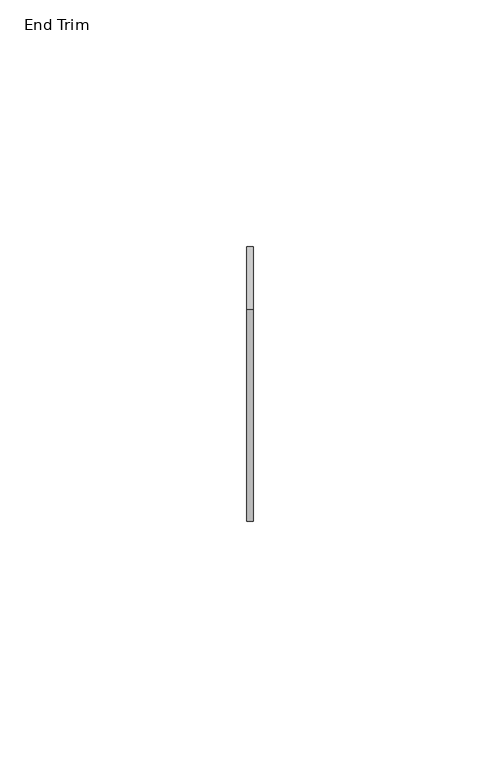
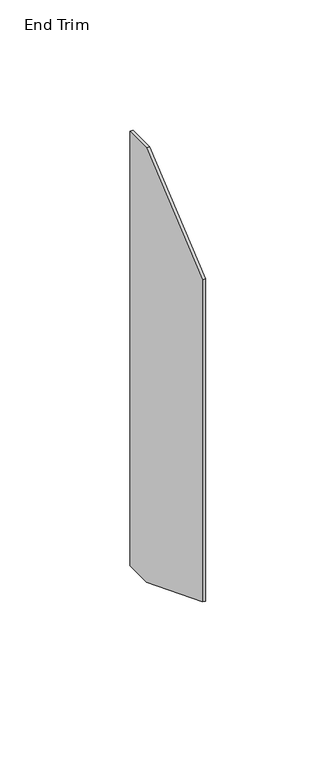
"""IFC4 building model written with IfcOpenShell, lengths in millimetres: furniture geometry, End Trim."""

from ifc_helpers import new_model, si_unit, frame, origin, place, context, project, spatial, polyline, outline, extrude, source, transform, mapped, element, save


def end_trim_da2f222b(model_context):
    return source(origin(), model_context, "Body", "SweptSolid", [
        extrude(outline(polyline([(9.5250061, 152.4), (-3.1749939, 152.4), (-46.0374939, 169.07002), (-46.0374939, 319.87998), (-3.1749939, 355.6), (9.5250061, 355.6), (9.5250061, 152.4)])), frame((-304.8, 0.0, 0.0), z_axis=(1.0, 0.0, 0.0), x_axis=(0.0, 1.0, 0.0)), (0.0, 0.0, 1.0), 1.27),
    ])


if __name__ == "__main__":
    model = new_model("IFC4")
    model_context = context("Model", 3, world=origin())
    ifc_project = project(units=[si_unit("LENGTHUNIT", "METRE", prefix="MILLI")], contexts=[model_context])
    site = spatial("IfcSite", under=ifc_project)
    building = spatial("IfcBuilding", under=site)
    placement = place(None, origin())
    end_trim_shape = end_trim_da2f222b(model_context)
    element("IfcFurniture", 1, ObjectType="End Trim", at=placement, inside=building, context=model_context, shape_type="MappedRepresentation", body=[
        mapped(end_trim_shape, transform((0.0, 0.0, 0.0), x_axis=(1.0, 0.0, 0.0), y_axis=(0.0, 1.0, 0.0), z_axis=(0.0, 0.0, 1.0))),
    ])
    save(model, "model.ifc")
